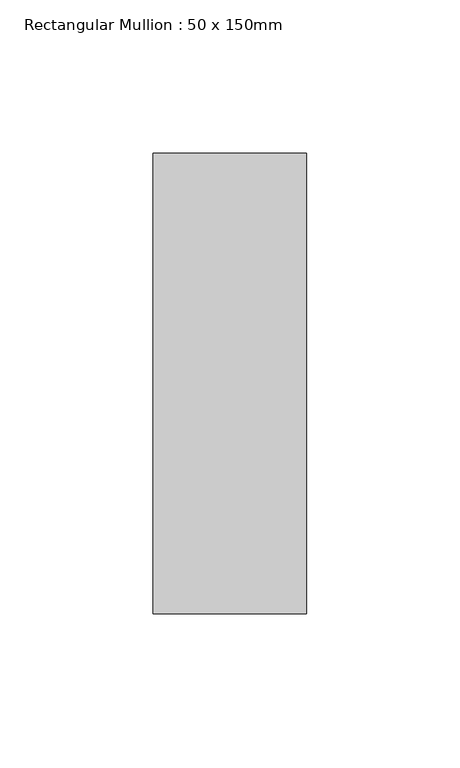
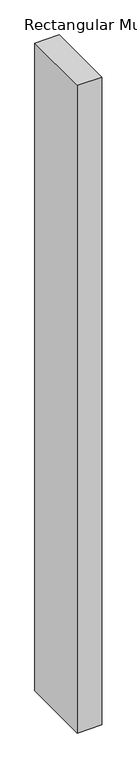
"""IFC4 building model written with IfcOpenShell, lengths in millimetres: member geometry, Rectangular Mullion : 50 x 150mm."""

from ifc_helpers import new_model, si_unit, frame, origin, place, context, project, spatial, polyline, outline, extrude, source, transform, mapped, element, save


def rectangular_mullion_50_x_150mm_80d7b263(model_context):
    return source(origin(), model_context, "Body", "SweptSolid", [
        extrude(outline(polyline([(25.0, 75.0), (25.0, -75.0), (-25.0, -75.0), (-25.0, 75.0), (25.0, 75.0)])), frame((0.0, 0.0, -1400.0), z_axis=(0.0, 0.0, 1.0), x_axis=(1.0, 0.0, 0.0)), (0.0, 0.0, 1.0), 1400.0),
    ])


if __name__ == "__main__":
    model = new_model("IFC4")
    model_context = context("Model", 3, world=origin())
    ifc_project = project(units=[si_unit("LENGTHUNIT", "METRE", prefix="MILLI")], contexts=[model_context])
    site = spatial("IfcSite", under=ifc_project)
    building = spatial("IfcBuilding", under=site)
    placement = place(None, origin())
    rectangular_mullion_50_x_150mm_shape = rectangular_mullion_50_x_150mm_80d7b263(model_context)
    element("IfcMember", 1, ObjectType="Rectangular Mullion : 50 x 150mm", at=placement, inside=building, context=model_context, shape_type="MappedRepresentation", body=[
        mapped(rectangular_mullion_50_x_150mm_shape, transform((0.0, 0.0, 0.0), x_axis=(1.0, 0.0, 0.0), y_axis=(0.0, 1.0, 0.0), z_axis=(0.0, 0.0, 1.0))),
    ])
    save(model, "model.ifc")
